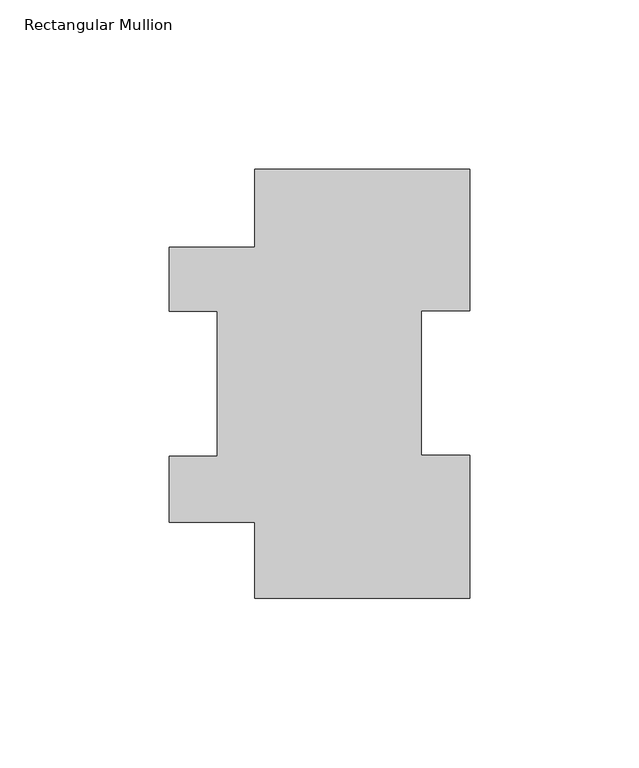
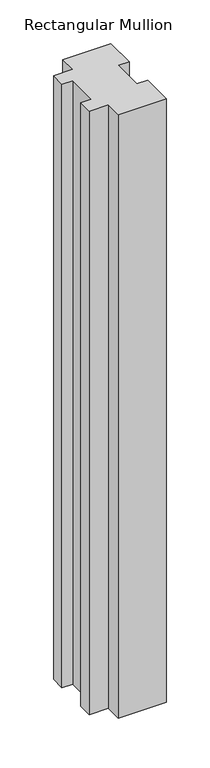
"""IFC4 building model written with IfcOpenShell, lengths in millimetres: member geometry, Rectangular Mullion."""

from ifc_helpers import new_model, si_unit, frame, origin, place, context, project, spatial, polyline, outline, extrude, source, transform, mapped, element, save


def rectangular_mullion_8795d631(model_context):
    return source(origin(), model_context, "Body", "SweptSolid", [
        extrude(outline(polyline([(-31.75, 126.9888875), (31.75, 126.9888875), (31.75, 85.1296875), (17.4625, 85.1296875), (17.4625, 42.2798875), (31.75, 42.2798875), (31.75, -0.0111125), (-31.75, -0.0111125), (-31.75, 22.5440875), (-57.15, 22.5440875), (-57.15, 42.0258875), (-42.86504, 42.0258875), (-42.86504, 84.8796055), (-57.15, 84.8796055), (-57.15, 103.9296055), (-31.75, 103.9296055), (-31.75, 126.9888875)])), frame((0.0, 0.0, -844.55), z_axis=(0.0, 0.0, 1.0), x_axis=(1.0, 0.0, 0.0)), (0.0, 0.0, 1.0), 844.55),
    ])


if __name__ == "__main__":
    model = new_model("IFC4")
    model_context = context("Model", 3, world=origin())
    ifc_project = project(units=[si_unit("LENGTHUNIT", "METRE", prefix="MILLI")], contexts=[model_context])
    site = spatial("IfcSite", under=ifc_project)
    building = spatial("IfcBuilding", under=site)
    placement = place(None, origin())
    rectangular_mullion_shape = rectangular_mullion_8795d631(model_context)
    element("IfcMember", 1, ObjectType="Rectangular Mullion", at=placement, inside=building, context=model_context, shape_type="MappedRepresentation", body=[
        mapped(rectangular_mullion_shape, transform((0.0, 0.0, 0.0), x_axis=(1.0, 0.0, 0.0), y_axis=(0.0, 1.0, 0.0), z_axis=(0.0, 0.0, 1.0))),
    ])
    save(model, "model.ifc")
